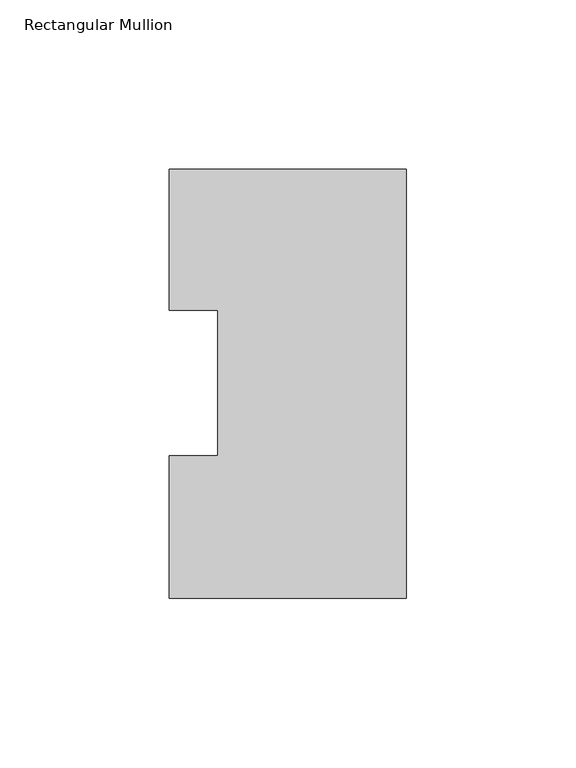
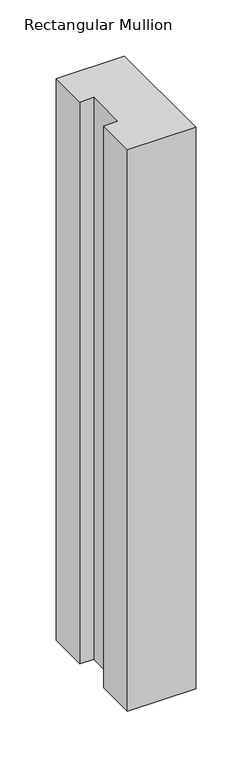
"""IFC4 building model written with IfcOpenShell, lengths in millimetres: member geometry, Rectangular Mullion."""

from ifc_helpers import new_model, si_unit, frame, origin, place, context, project, spatial, polyline, outline, extrude, source, transform, mapped, element, save


def rectangular_mullion_2fa35827(model_context):
    return source(origin(), model_context, "Body", "SweptSolid", [
        extrude(outline(polyline([(0.0, 126.7348875), (0.0, 0.2428875), (-69.85, 0.2428875), (-69.85, 42.2798875), (-55.56504, 42.2798875), (-55.56504, 85.1296875), (-69.85, 85.1296875), (-69.85, 126.7348875), (0.0, 126.7348875)])), frame((0.0, 0.0, -609.6), z_axis=(0.0, 0.0, 1.0), x_axis=(1.0, 0.0, 0.0)), (0.0, 0.0, 1.0), 609.6),
    ])


if __name__ == "__main__":
    model = new_model("IFC4")
    model_context = context("Model", 3, world=origin())
    ifc_project = project(units=[si_unit("LENGTHUNIT", "METRE", prefix="MILLI")], contexts=[model_context])
    site = spatial("IfcSite", under=ifc_project)
    building = spatial("IfcBuilding", under=site)
    placement = place(None, origin())
    rectangular_mullion_shape = rectangular_mullion_2fa35827(model_context)
    element("IfcMember", 1, ObjectType="Rectangular Mullion", at=placement, inside=building, context=model_context, shape_type="MappedRepresentation", body=[
        mapped(rectangular_mullion_shape, transform((0.0, 0.0, 0.0), x_axis=(1.0, 0.0, 0.0), y_axis=(0.0, 1.0, 0.0), z_axis=(0.0, 0.0, 1.0))),
    ])
    save(model, "model.ifc")
